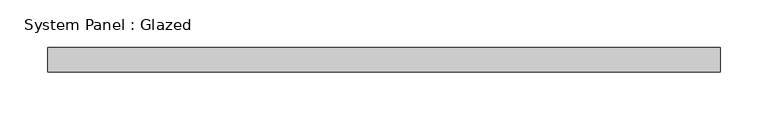
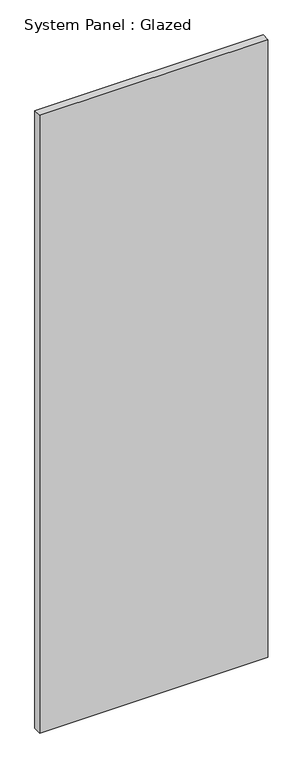
"""IFC4 building model written with IfcOpenShell, lengths in millimetres: plate geometry, System Panel : Glazed."""

from ifc_helpers import new_model, si_unit, origin, origin_with_axes, place, context, project, spatial, polyline, outline, extrude, source, transform, mapped, element, save


def system_panel_glazed_41fa3262(model_context):
    return source(origin(), model_context, "Body", "SweptSolid", [
        extrude(outline(polyline([(351.39375, 19.05), (-351.39375, 19.05), (-351.39375, 44.45), (351.39375, 44.45), (351.39375, 19.05)])), origin_with_axes(), (0.0, 0.0, 1.0), 2010.7536198),
    ])


if __name__ == "__main__":
    model = new_model("IFC4")
    model_context = context("Model", 3, world=origin())
    ifc_project = project(units=[si_unit("LENGTHUNIT", "METRE", prefix="MILLI")], contexts=[model_context])
    site = spatial("IfcSite", under=ifc_project)
    building = spatial("IfcBuilding", under=site)
    placement = place(None, origin())
    system_panel_glazed_shape = system_panel_glazed_41fa3262(model_context)
    element("IfcPlate", 1, ObjectType="System Panel : Glazed", at=placement, inside=building, context=model_context, shape_type="MappedRepresentation", body=[
        mapped(system_panel_glazed_shape, transform((0.0, 0.0, 0.0), x_axis=(1.0, 0.0, 0.0), y_axis=(0.0, 1.0, 0.0), z_axis=(0.0, 0.0, 1.0))),
    ])
    save(model, "model.ifc")
